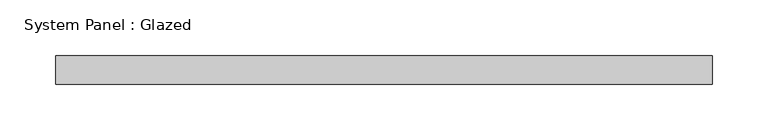
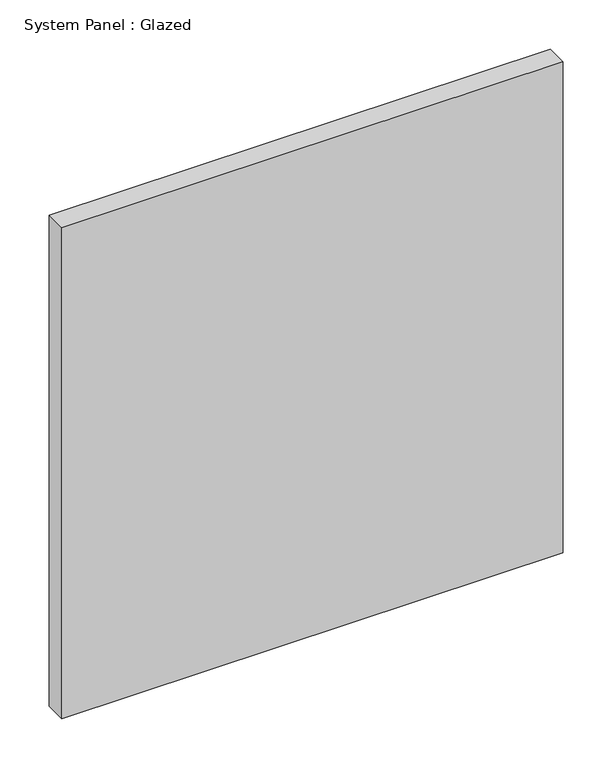
"""IFC4 building model written with IfcOpenShell, lengths in millimetres: plate geometry, System Panel : Glazed."""

from ifc_helpers import new_model, si_unit, origin, origin_with_axes, place, context, project, spatial, polyline, outline, extrude, source, transform, mapped, element, save


def system_panel_glazed_60a62c6d(model_context):
    return source(origin(), model_context, "Body", "SweptSolid", [
        extrude(outline(polyline([(294.3756025, 19.05), (-294.3756025, 19.05), (-294.3756025, 44.45), (294.3756025, 44.45), (294.3756025, 19.05)])), origin_with_axes(), (0.0, 0.0, 1.0), 609.6),
    ])


if __name__ == "__main__":
    model = new_model("IFC4")
    model_context = context("Model", 3, world=origin())
    ifc_project = project(units=[si_unit("LENGTHUNIT", "METRE", prefix="MILLI")], contexts=[model_context])
    site = spatial("IfcSite", under=ifc_project)
    building = spatial("IfcBuilding", under=site)
    placement = place(None, origin())
    system_panel_glazed_shape = system_panel_glazed_60a62c6d(model_context)
    element("IfcPlate", 1, ObjectType="System Panel : Glazed", at=placement, inside=building, context=model_context, shape_type="MappedRepresentation", body=[
        mapped(system_panel_glazed_shape, transform((0.0, 0.0, 0.0), x_axis=(1.0, 0.0, 0.0), y_axis=(0.0, 1.0, 0.0), z_axis=(0.0, 0.0, 1.0))),
    ])
    save(model, "model.ifc")
